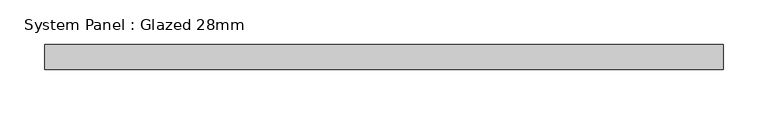
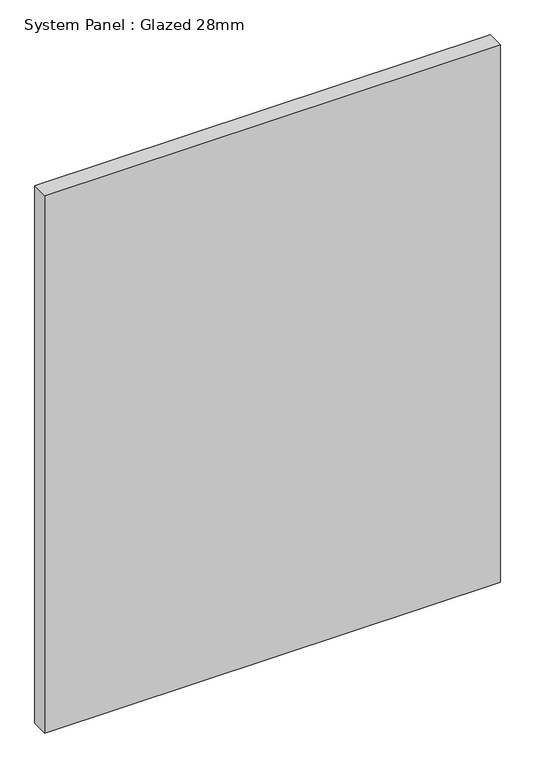
"""IFC4 building model written with IfcOpenShell, lengths in millimetres: plate geometry, System Panel : Glazed 28mm."""

from ifc_helpers import new_model, si_unit, origin, origin_with_axes, place, context, project, spatial, polyline, outline, extrude, source, transform, mapped, element, save


def system_panel_glazed_28mm_0c0c90f0(model_context):
    return source(origin(), model_context, "Body", "SweptSolid", [
        extrude(outline(polyline([(380.5468575, -14.0), (-380.5468575, -14.0), (-380.5468575, 14.0), (380.5468575, 14.0), (380.5468575, -14.0)])), origin_with_axes(), (0.0, 0.0, 1.0), 948.6820471),
    ])


if __name__ == "__main__":
    model = new_model("IFC4")
    model_context = context("Model", 3, world=origin())
    ifc_project = project(units=[si_unit("LENGTHUNIT", "METRE", prefix="MILLI")], contexts=[model_context])
    site = spatial("IfcSite", under=ifc_project)
    building = spatial("IfcBuilding", under=site)
    placement = place(None, origin())
    system_panel_glazed_28mm_shape = system_panel_glazed_28mm_0c0c90f0(model_context)
    element("IfcPlate", 1, ObjectType="System Panel : Glazed 28mm", at=placement, inside=building, context=model_context, shape_type="MappedRepresentation", body=[
        mapped(system_panel_glazed_28mm_shape, transform((0.0, 0.0, 0.0), x_axis=(1.0, 0.0, 0.0), y_axis=(0.0, 1.0, 0.0), z_axis=(0.0, 0.0, 1.0))),
    ])
    save(model, "model.ifc")
